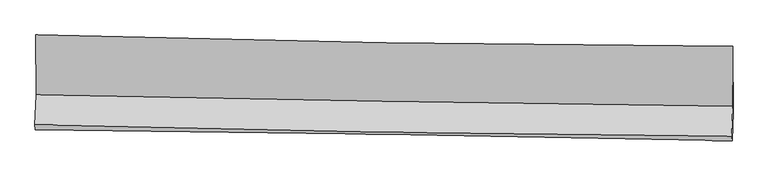
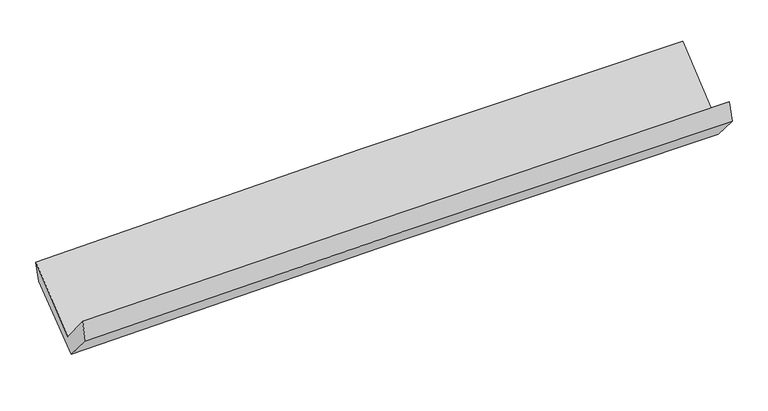
"""IFC4 building model written with IfcOpenShell, lengths in millimetres: proxy geometry."""

from ifc_helpers import new_model, si_unit, frame, origin, place, context, project, spatial, source, transform, mapped, element, save
from ifc_brep_helpers import plane_surface, spline_curve, spline_surface, advanced_brep


def generic_models_493e2818(model_context):
    return source(origin(), model_context, "Body", "AdvancedBrep", [
        advanced_brep(
        [(-3027.4726921, -1145.8553313, 2148.1450303), (-3025.5369169, -1663.5786544, 1719.4166689), (3016.6841187, -1763.3684803, 1858.686823), (3014.5060957, -1246.1346784, 2298.3021644), (-3036.1046828, -1924.9426873, 2037.114005), (3006.3348721, -2023.6934705, 2166.9549817), (-3032.8230149, -1966.1160545, 1858.3131914), (3009.40219, -2062.9971002, 1999.2960394), (-3023.2082192, -1718.0332905, 1576.0045662), (3018.8575643, -1822.0818448, 1719.6675467), (-3024.5373833, -1187.2598705, 1985.2171957), (3017.4226072, -1284.671094, 2138.1229494)],
        [
            (0, 1),
            (1, 2, spline_curve(3, [(-3025.5369169, -1663.5786544, 1719.4166689), (-2018.793443467, -1686.275401656, 1751.504642909), (-1011.895476772, -1705.93967577, 1779.154586975), (1002.178211546, -1739.20276322, 1825.577696542), (2009.353922983, -1752.801763936, 1844.351136828), (3016.6841187, -1763.3684803, 1858.686823)], [4, 2, 4], [0.0, 9.916391928151592, 19.832476314237265])),
            (2, 3),
            (3, 0, spline_curve(3, [(3014.5060957, -1246.1346784, 2298.3021644), (2006.845673549, -1240.392838157, 2296.083662308), (999.525032766, -1229.165520672, 2282.46168756), (-1014.46791754, -1195.739411589, 2232.410016889), (-2021.140205845, -1173.54028053, 2195.979613594), (-3027.4726921, -1145.8553313, 2148.1450303)], [4, 2, 4], [0.0, 9.916084386085673, 19.832476314237265])),
            (1, 4),
            (4, 5, spline_curve(3, [(-3036.1046828, -1924.9426873, 2037.114005), (-2029.475124494, -1952.533265602, 2071.266274043), (-1022.61590411, -1974.557827742, 2099.162560583), (991.530628555, -2007.474410221, 2142.442498075), (1998.817926198, -2018.366775679, 2157.826537171), (3006.3348721, -2023.6934705, 2166.9549817)], [4, 2, 4], [0.0, 9.916136652855979, 19.83196577156302])),
            (5, 2),
            (4, 6),
            (6, 7, spline_curve(3, [(-3032.8230149, -1966.1160545, 1858.3131914), (-2025.883711166, -1977.205403057, 1888.945203727), (-1018.887483112, -1990.82366231, 1916.009907516), (995.187588664, -2023.11750111, 1963.003969148), (2002.266429125, -2041.792923817, 1982.933548035), (3009.40219, -2062.9971002, 1999.2960394)], [4, 2, 4], [0.0, 9.916032078544314, 19.831756626182905])),
            (7, 5),
            (6, 8),
            (8, 9, spline_curve(3, [(-3023.2082192, -1718.0332905, 1576.0045662), (-2016.306824862, -1731.641342792, 1606.740434109), (-1009.342837028, -1747.116244935, 1634.080415946), (1004.679094604, -1781.799212237, 1681.967865664), (2011.737034525, -1801.007161268, 1702.515543711), (3018.8575643, -1822.0818448, 1719.6675467)], [4, 2, 4], [0.0, 9.916026433430922, 19.831745336131196])),
            (9, 7),
            (8, 10),
            (10, 11, spline_curve(3, [(-3024.5373833, -1187.2598705, 1985.2171957), (-2017.707577643, -1190.548953731, 2026.025253901), (-1010.78819964, -1200.311323593, 2059.17150799), (1003.198469164, -1232.782132883, 2110.139617048), (2010.265754898, -1255.490171053, 2127.961947672), (3017.4226072, -1284.671094, 2138.1229494)], [4, 2, 4], [0.0, 9.916187068858807, 19.8320666020051])),
            (11, 9),
            (10, 0),
            (3, 11),
        ],
        [
            spline_surface(3, 3, [[(-3027.4726921, -1145.8553313, 2148.1450303), (-2021.140205986, -1173.540280417, 2195.97961358), (-1014.467917559, -1195.73941175, 2232.410016884), (999.525032785, -1229.165520512, 2282.461687565), (2006.845673623, -1240.392838228, 2296.083662286), (3014.5060957, -1246.1346784, 2298.3021644)], [(-3026.827433689, -1318.429772337, 2005.235576515), (-2020.357951822, -1344.451987461, 2047.821289987), (-1013.610437268, -1365.806166456, 2081.324873593), (1000.409425664, -1399.177934694, 2130.167023851), (2007.681756791, -1411.195813501, 2145.50615382), (3015.232103364, -1418.545945695, 2151.763717263)], [(-3026.182175311, -1491.004213363, 1862.326122685), (-2019.57569769, -1515.363694494, 1899.66296635), (-1012.752956957, -1535.872921193, 1930.239730344), (1001.293818561, -1569.190348908, 1977.872360179), (2008.517839966, -1581.99878879, 1994.928645365), (3015.958111036, -1590.957213005, 2005.225270137)], [(-3025.5369169, -1663.5786544, 1719.4166689), (-2018.793443526, -1686.275401538, 1751.504642757), (-1011.895476665, -1705.939675899, 1779.154587053), (1002.178211439, -1739.20276309, 1825.577696464), (2009.353923135, -1752.801764063, 1844.351136899), (3016.6841187, -1763.3684803, 1858.686823)]], [4, 4], [4, 2, 4], [0.0, 2.242799914715157], [0.0, 9.916391928151592, 19.832476314237265]),
            spline_surface(3, 3, [[(-3025.5369169, -1663.5786544, 1719.4166689), (-2018.793443526, -1686.275401538, 1751.504642757), (-1011.895476665, -1705.939675899, 1779.154587053), (1002.178211439, -1739.20276309, 1825.577696464), (2009.353923135, -1752.801764063, 1844.351136899), (3016.6841187, -1763.3684803, 1858.686823)], [(-3029.059505559, -1750.699998696, 1825.315780943), (-2022.354003915, -1775.028022837, 1858.091853165), (-1015.468952455, -1795.479059861, 1885.82391159), (998.629017133, -1828.626645486, 1931.199297034), (2005.841924159, -1841.323434613, 1948.842936958), (3013.23436983, -1850.143477046, 1961.442875901)], [(-3032.582094141, -1837.821343004, 1931.214892957), (-2025.914564229, -1863.780644149, 1964.679063545), (-1019.042428266, -1885.018443772, 1992.493236038), (995.079822806, -1918.050527833, 2036.820897514), (2002.329925192, -1929.845105126, 2053.334737017), (3009.78462097, -1936.918473754, 2064.198928799)], [(-3036.1046828, -1924.9426873, 2037.114005), (-2029.475124618, -1952.533265448, 2071.266273953), (-1022.615904056, -1974.557827734, 2099.162560575), (991.5306285, -2007.474410229, 2142.442498083), (1998.817926216, -2018.366775676, 2157.826537077), (3006.3348721, -2023.6934705, 2166.9549817)]], [4, 4], [4, 2, 4], [0.0, 1.366888537697315], [0.0, 9.916136652855979, 19.83196577156302]),
            spline_surface(3, 3, [[(-3036.1046828, -1924.9426873, 2037.114005), (-2029.475124618, -1952.533265448, 2071.266273953), (-1022.615904056, -1974.557827734, 2099.162560575), (991.5306285, -2007.474410229, 2142.442498083), (1998.817926216, -2018.366775676, 2157.826537077), (3006.3348721, -2023.6934705, 2166.9549817)], [(-3035.010793481, -1938.66714303, 1977.51373379), (-2028.277986765, -1960.757311338, 2010.492583917), (-1021.373097087, -1979.979772589, 2038.11167625), (992.749615227, -2012.688773842, 2082.629655057), (1999.967427158, -2026.175491717, 2099.528874049), (3007.35731141, -2036.794680408, 2111.06866762)], [(-3033.916904219, -1952.39159877, 1917.91346261), (-2027.080848969, -1968.981357239, 1949.71889391), (-1020.130290108, -1985.40171747, 1977.060791954), (993.968601965, -2017.903137481, 2022.816812061), (2001.116928072, -2033.984207735, 2041.231210963), (3008.37975069, -2049.895890292, 2055.18235348)], [(-3032.8230149, -1966.1160545, 1858.3131914), (-2025.883711115, -1977.205403129, 1888.945203874), (-1018.88748314, -1990.823662325, 1916.009907629), (995.187588692, -2023.117501095, 1963.003969035), (2002.266429014, -2041.792923776, 1982.933547936), (3009.40219, -2062.9971002, 1999.2960394)]], [4, 4], [4, 2, 4], [0.0, 0.597223654388643], [0.0, 9.916032078544314, 19.831756626182905]),
            spline_surface(3, 3, [[(-3032.8230149, -1966.1160545, 1858.3131914), (-2025.883711115, -1977.205403129, 1888.945203874), (-1018.88748314, -1990.823662325, 1916.009907629), (995.187588692, -2023.117501095, 1963.003969035), (2002.266429014, -2041.792923776, 1982.933547936), (3009.40219, -2062.9971002, 1999.2960394)], [(-3029.618083009, -1883.421799833, 1764.210316349), (-2022.691415751, -1895.350716305, 1794.876947278), (-1015.705934453, -1909.587856548, 1822.033410423), (998.351424005, -1942.678071472, 1869.325267864), (2005.423297512, -1961.531002948, 1889.460879864), (3012.553981417, -1982.692015059, 1906.086541818)], [(-3026.413151091, -1800.727545167, 1670.107441251), (-2019.499120362, -1813.496029483, 1700.808690636), (-1012.524385754, -1828.352050747, 1728.056913256), (1001.51525933, -1862.238641824, 1775.64656673), (2008.580166059, -1881.269082143, 1795.988211837), (3015.705772883, -1902.386929941, 1812.877044282)], [(-3023.2082192, -1718.0332905, 1576.0045662), (-2016.306824998, -1731.641342659, 1606.74043404), (-1009.342837066, -1747.11624497, 1634.080416051), (1004.679094643, -1781.799212201, 1681.967865559), (2011.737034557, -1801.007161314, 1702.515543765), (3018.8575643, -1822.0818448, 1719.6675467)]], [4, 4], [4, 2, 4], [0.0, 1.2193768754147405], [0.0, 9.916026433430922, 19.831745336131196]),
            spline_surface(3, 3, [[(-3023.2082192, -1718.0332905, 1576.0045662), (-2016.306824998, -1731.641342659, 1606.74043404), (-1009.342837066, -1747.11624497, 1634.080416051), (1004.679094643, -1781.799212201, 1681.967865559), (2011.737034557, -1801.007161314, 1702.515543765), (3018.8575643, -1822.0818448, 1719.6675467)], [(-3023.651273909, -1541.108817181, 1712.408776034), (-2016.773742526, -1551.277213028, 1746.50204064), (-1009.824624604, -1564.847937834, 1775.777446667), (1004.185552885, -1598.793519103, 1824.691782782), (2011.246608031, -1619.16816452, 1844.331011779), (3018.379245257, -1642.944927876, 1859.152680954)], [(-3024.094328591, -1364.184343819, 1848.812985866), (-2017.240660028, -1370.913083353, 1886.263647239), (-1010.306412225, -1382.579630701, 1917.474477238), (1003.692011044, -1415.787826008, 1967.415699961), (2010.756181534, -1437.329167697, 1986.146479731), (3017.900926243, -1463.808010924, 1998.637815146)], [(-3024.5373833, -1187.2598705, 1985.2171957), (-2017.707577555, -1190.548953723, 2026.025253839), (-1010.788199763, -1200.311323565, 2059.171507854), (1003.198469286, -1232.78213291, 2110.139617184), (2010.265755008, -1255.490170903, 2127.961947745), (3017.4226072, -1284.671094, 2138.1229494)]], [4, 4], [4, 2, 4], [0.0, 2.278289721910864], [0.0, 9.916187068858807, 19.8320666020051]),
            spline_surface(3, 3, [[(-3024.5373833, -1187.2598705, 1985.2171957), (-2017.707577555, -1190.548953723, 2026.025253839), (-1010.788199763, -1200.311323565, 2059.171507854), (1003.198469286, -1232.78213291, 2110.139617184), (2010.265755008, -1255.490170903, 2127.961947745), (3017.4226072, -1284.671094, 2138.1229494)], [(-3025.515819554, -1173.458357424, 2039.52647387), (-2018.851787019, -1184.879395944, 2082.676707056), (-1012.014772383, -1198.787352955, 2116.917677522), (1001.973990431, -1231.576595439, 2167.580307303), (2009.125727901, -1250.457726661, 2184.002519237), (3016.450436721, -1271.825622117, 2191.516021045)], [(-3026.494255846, -1159.656844376, 2093.83575213), (-2019.995996521, -1179.209838195, 2139.328160363), (-1013.241344939, -1197.26338236, 2174.663847216), (1000.74951164, -1230.371057983, 2225.020997447), (2007.98570073, -1245.42528247, 2240.043090794), (3015.478266179, -1258.980150283, 2244.909092755)], [(-3027.4726921, -1145.8553313, 2148.1450303), (-2021.140205986, -1173.540280417, 2195.97961358), (-1014.467917559, -1195.73941175, 2232.410016884), (999.525032785, -1229.165520512, 2282.461687565), (2006.845673623, -1240.392838228, 2296.083662286), (3014.5060957, -1246.1346784, 2298.3021644)]], [4, 4], [4, 2, 4], [0.0, 0.5671519302732017], [0.0, 9.916477528969997, 19.832647513219293]),
            plane_surface(frame((3013.867908, -1700.4911114, 2030.1717507), z_axis=(0.9996663221401032, -0.014155260950680126, 0.0216072433757173), x_axis=(-0.002106777359818269, 0.7890164665086999, 0.6143684375578564))),
            plane_surface(frame((-3028.2804849, -1600.9643148, 1887.3684429), z_axis=(-0.9996663221403249, 0.014155260945384713, -0.02160724336893398), x_axis=(0.017458339618766947, -0.24626183007568944, -0.9690460863269239))),
        ],
        [
            (0, [[1, 2, 3, 4]]),
            (1, [[5, 6, 7, -2]]),
            (2, [[8, 9, 10, -6]]),
            (3, [[11, 12, 13, -9]]),
            (4, [[14, 15, 16, -12]]),
            (5, [[17, -4, 18, -15]]),
            (6, [[-16, -18, -3, -7, -10, -13]]),
            (7, [[-17, -14, -11, -8, -5, -1]]),
        ],
    ),
    ])


if __name__ == "__main__":
    model = new_model("IFC4")
    model_context = context("Model", 3, world=origin())
    ifc_project = project(units=[si_unit("LENGTHUNIT", "METRE", prefix="MILLI")], contexts=[model_context])
    site = spatial("IfcSite", under=ifc_project)
    building = spatial("IfcBuilding", under=site)
    placement = place(None, origin())
    generic_models_shape = generic_models_493e2818(model_context)
    element("IfcBuildingElementProxy", 1, Name="Generic Models", at=placement, inside=building, context=model_context, shape_type="MappedRepresentation", body=[
        mapped(generic_models_shape, transform((0.0, 0.0, 0.0), x_axis=(1.0, 0.0, 0.0), y_axis=(0.0, 1.0, 0.0), z_axis=(0.0, 0.0, 1.0))),
    ])
    save(model, "model.ifc")
